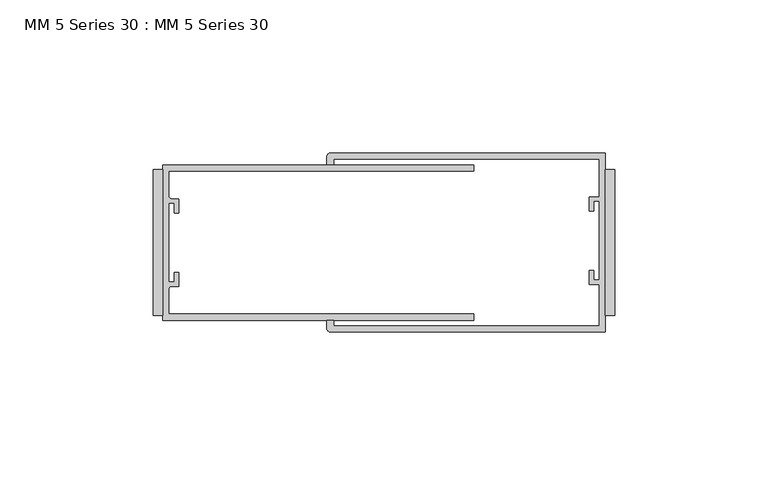
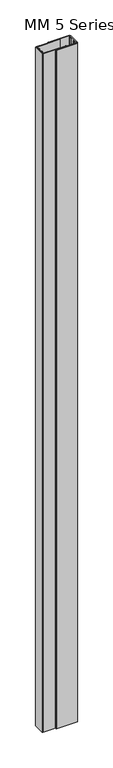
"""IFC4 building model written with IfcOpenShell, lengths in millimetres: proxy geometry, MM 5 Series 30 : MM 5 Series 30."""

from ifc_helpers import new_model, si_unit, point, frame_2d, origin, origin_with_axes, place, context, project, spatial, polyline, circle_curve, trimmed, segment, composite_curve, outline, extrude, source, transform, mapped, element, save


def mm_5_series_30_mm_5_series_30_b2d52f5c(model_context):
    return source(origin(), model_context, "Body", "SweptSolid", [
        extrude(outline(polyline([(-3.175, 23.8125), (0.0, 23.8125), (0.0, -23.8125), (-3.175, -23.8125), (-3.175, 23.8125)])), origin_with_axes(), (0.0, 0.0, 1.0), 3048.0),
        extrude(outline(polyline([(-150.8125, 23.8125), (-147.6375, 23.8125), (-147.6375, -23.8125), (-150.8125, -23.8125), (-150.8125, 23.8125)])), origin_with_axes(), (0.0, 0.0, 1.0), 3048.0),
        extrude(outline(composite_curve([segment(polyline([(-92.865575, 29.2862), (-3.175, 29.2862), (-3.175, -29.2862), (-92.865575, -29.2862)]), True, "CONTINUOUS"), segment(trimmed(circle_curve(frame_2d((-92.865575, -28.095575)), 1.190625), [point((-92.865575, -29.2862))], [point((-94.0562, -28.095575))], False, "CARTESIAN"), True, "CONTINUOUS"), segment(polyline([(-94.0562, -28.095575), (-94.0562, -25.527), (-91.7597006, -25.527), (-91.7597006, -27.305), (-5.1562, -27.305), (-5.1562, -13.7024149), (-8.3312, -13.7024149), (-8.3312, -9.1355958), (-6.967, -9.1355958), (-6.967, -12.3105958), (-5.189, -12.3105958), (-5.189, 13.495805), (-6.9792436, 13.495805), (-6.9792436, 10.3136087), (-8.3683061, 10.3136087), (-8.3683061, 14.8979851), (-5.1562, 14.8979851), (-5.1562, 27.305), (-91.7597006, 27.305), (-91.7597006, 25.527), (-94.0562, 25.527), (-94.0562, 28.095575)]), True, "CONTINUOUS"), segment(trimmed(circle_curve(frame_2d((-92.865575, 28.095575)), 1.190625), [point((-94.0562, 28.095575))], [point((-92.865575, 29.2862))], False, "CARTESIAN"), True, "CONTINUOUS")], self_intersect=False)), origin_with_axes(), (0.0, 0.0, 1.0), 3048.0),
        extrude(outline(composite_curve([segment(polyline([(-147.6375, -25.4), (-147.6375, 25.4), (-46.0375, 25.4), (-46.0375, 23.4188), (-145.6563, 23.4188), (-145.6563, 15.0569227)]), True, "CONTINUOUS"), segment(trimmed(circle_curve(frame_2d((-144.8943, 15.0569227)), 0.762), [point((-145.6563, 15.0569227))], [point((-144.8943, 14.2949227))], True, "CARTESIAN"), True, "CONTINUOUS"), segment(polyline([(-144.8943, 14.2949227), (-142.4813, 14.2949227), (-142.4813, 9.7229227), (-143.8783, 9.7229227), (-143.8783, 12.8979227), (-145.6563, 12.8979227), (-145.6563, -12.9084773), (-143.8783, -12.9084773), (-143.8783, -9.7334773), (-142.4813, -9.7334773), (-142.4813, -14.3054773), (-144.8943, -14.3054773)]), True, "CONTINUOUS"), segment(trimmed(circle_curve(frame_2d((-144.8943, -15.0674773)), 0.762), [point((-144.8943, -14.3054773))], [point((-145.6563, -15.0674773))], True, "CARTESIAN"), True, "CONTINUOUS"), segment(polyline([(-145.6563, -15.0674773), (-145.6563, -23.4188), (-46.0375, -23.4188), (-46.0375, -25.4), (-147.6375, -25.4)]), True, "CONTINUOUS")], self_intersect=False)), origin_with_axes(), (0.0, 0.0, 1.0), 3048.0),
    ])


if __name__ == "__main__":
    model = new_model("IFC4")
    model_context = context("Model", 3, world=origin())
    ifc_project = project(units=[si_unit("LENGTHUNIT", "METRE", prefix="MILLI")], contexts=[model_context])
    site = spatial("IfcSite", under=ifc_project)
    building = spatial("IfcBuilding", under=site)
    placement = place(None, origin())
    mm_5_series_30_mm_5_series_30_shape = mm_5_series_30_mm_5_series_30_b2d52f5c(model_context)
    element("IfcBuildingElementProxy", 1, Name="MM 5 Series 30 : MM 5 Series 30", ObjectType="MM 5 Series 30 : MM 5 Series 30", at=placement, inside=building, context=model_context, shape_type="MappedRepresentation", body=[
        mapped(mm_5_series_30_mm_5_series_30_shape, transform((0.0, 0.0, 0.0), x_axis=(1.0, 0.0, 0.0), y_axis=(0.0, 1.0, 0.0), z_axis=(0.0, 0.0, 1.0))),
    ])
    save(model, "model.ifc")
